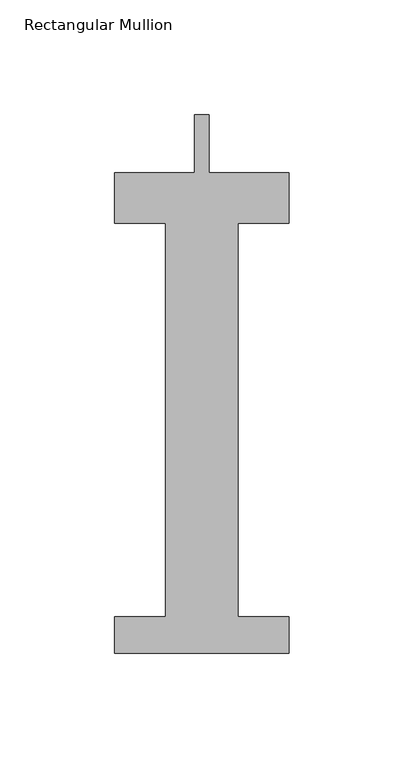
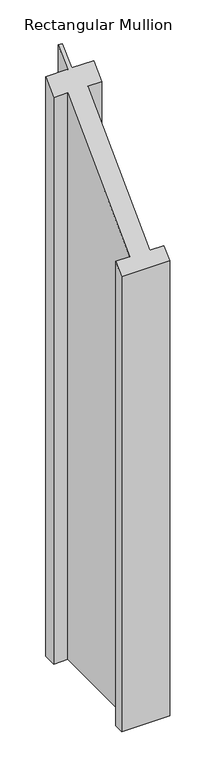
"""IFC4 building model written with IfcOpenShell, lengths in millimetres: member geometry, Rectangular Mullion."""

from ifc_helpers import new_model, si_unit, origin, place, context, project, spatial, faceted_brep, source, transform, mapped, element, save


def rectangular_mullion_eb0d7910(model_context):
    return source(origin(), model_context, "Body", "Brep", [
        faceted_brep([(38.1, -221.996, -986.3666667), (-38.1, -221.996, -986.3666667), (-38.1, -206.121, -986.3666667), (-15.875, -206.121, -986.3666667), (-15.875, -34.671, -986.3666667), (-38.1, -34.671, -986.3666667), (-38.1, -12.7, -986.3666667), (-3.175, -12.7, -986.3666667), (-3.175, 12.7, -986.3666667), (3.175, 12.7, -986.3666667), (3.175, -12.7, -986.3666667), (38.1, -12.7, -986.3666667), (38.1, -34.671, -986.3666667), (15.875, -34.671, -986.3666667), (15.875, -206.121, -986.3666667), (38.1, -206.121, -986.3666667), (38.1, -206.121, -206.121), (38.1, -221.996, -221.996), (15.875, -206.121, -206.121), (15.875, -34.671, -34.671), (38.1, -34.671, -34.671), (38.1, -12.7, -12.7), (3.175, -12.7, -12.7), (3.175, 12.7, 12.7), (-3.175, 12.7, 12.7), (-3.175, -12.7, -12.7), (-38.1, -12.7, -12.7), (-38.1, -34.671, -34.671), (-15.875, -34.671, -34.671), (-15.875, -206.121, -206.121), (-38.1, -206.121, -206.121), (-38.1, -221.996, -221.996)], [[[0, 1, 2, 3, 4, 5, 6, 7, 8, 9, 10, 11, 12, 13, 14, 15]], [[16, 17, 0, 15]], [[18, 16, 15, 14]], [[19, 18, 14, 13]], [[20, 19, 13, 12]], [[21, 20, 12, 11]], [[22, 21, 11, 10]], [[23, 22, 10, 9]], [[24, 23, 9, 8]], [[25, 24, 8, 7]], [[26, 25, 7, 6]], [[27, 26, 6, 5]], [[28, 27, 5, 4]], [[29, 28, 4, 3]], [[30, 29, 3, 2]], [[31, 30, 2, 1]], [[17, 31, 1, 0]], [[17, 16, 18, 19, 20, 21, 22, 23, 24, 25, 26, 27, 28, 29, 30, 31]]]),
    ])


if __name__ == "__main__":
    model = new_model("IFC4")
    model_context = context("Model", 3, world=origin())
    ifc_project = project(units=[si_unit("LENGTHUNIT", "METRE", prefix="MILLI")], contexts=[model_context])
    site = spatial("IfcSite", under=ifc_project)
    building = spatial("IfcBuilding", under=site)
    placement = place(None, origin())
    rectangular_mullion_shape = rectangular_mullion_eb0d7910(model_context)
    element("IfcMember", 1, ObjectType="Rectangular Mullion", at=placement, inside=building, context=model_context, shape_type="MappedRepresentation", body=[
        mapped(rectangular_mullion_shape, transform((0.0, 0.0, 0.0), x_axis=(1.0, 0.0, 0.0), y_axis=(0.0, 1.0, 0.0), z_axis=(0.0, 0.0, 1.0))),
    ])
    save(model, "model.ifc")
